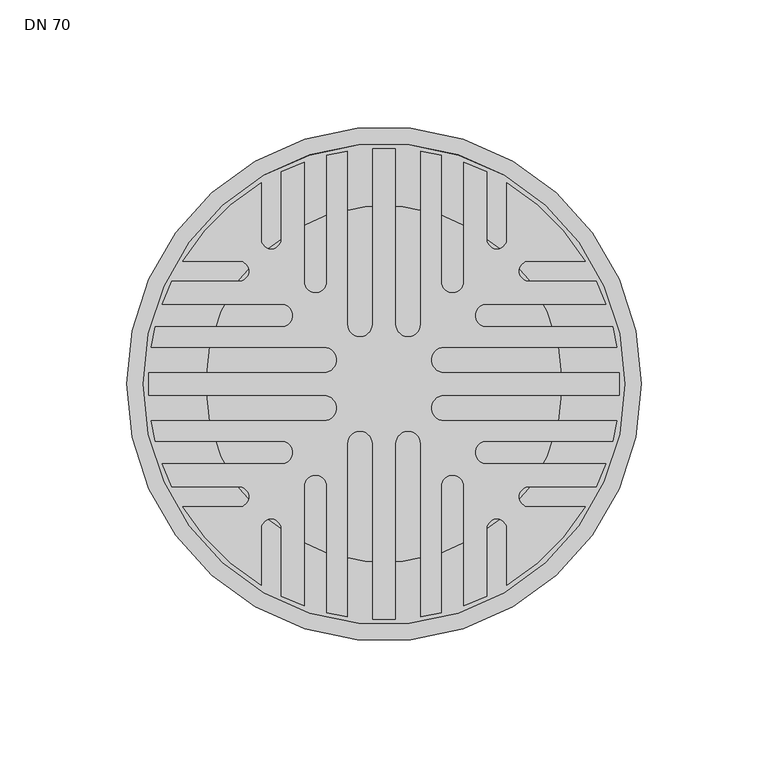
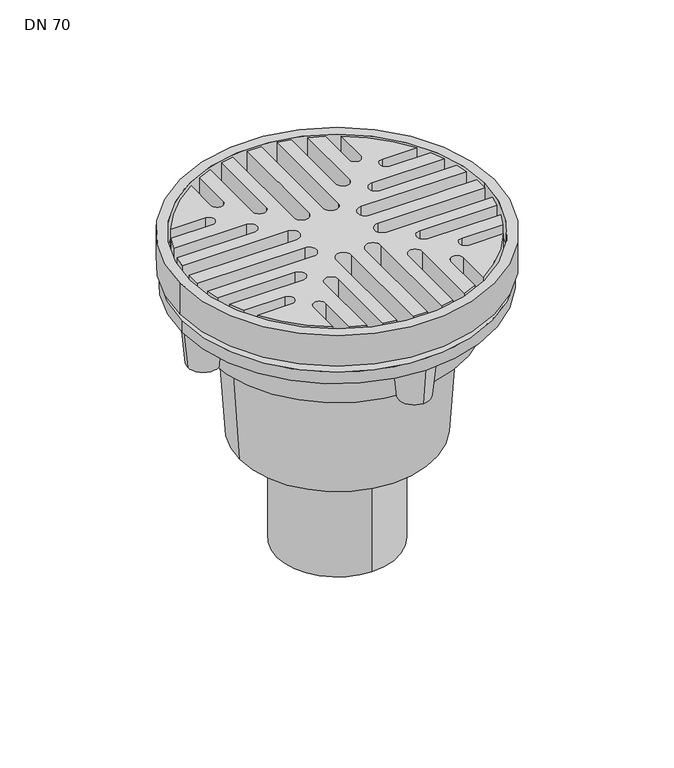
"""IFC4 building model written with IfcOpenShell, lengths in millimetres: sanitary terminal geometry, DN 70."""

from ifc_helpers import new_model, si_unit, point, frame, frame_2d, origin, origin_with_axes, origin_2d, place, context, project, spatial, polyline, circle_curve, trimmed, segment, composite_curve, outline, extrude, source, transform, mapped, element, save
from ifc_brep_helpers import plane_surface, cylinder_surface, revolved_surface, advanced_brep


def dn_70_8d39e11c(model_context):
    return source(origin(), model_context, "Body", "SolidModel", [
        advanced_brep(
        [(-75.35, 0.0, -45.0), (75.35, 0.0, -45.0), (-70.35, 0.0, -45.0), (70.35, 0.0, -45.0), (75.35, 0.0, -21.0), (-75.35, 0.0, -21.0), (70.35, 0.0, -21.0), (-70.35, 0.0, -21.0), (95.0, 0.0, -16.0), (-95.0, 0.0, -16.0), (-70.35, 0.0, -16.0), (70.35, 0.0, -16.0), (-101.5, 0.0, -21.0), (101.5, 0.0, -21.0), (-101.5, 0.0, 0.0), (101.5, 0.0, 0.0), (-95.0, 0.0, 0.0), (95.0, 0.0, 0.0)],
        [
            (0, 1, circle_curve(frame((0.0, 0.0, -45.0), z_axis=(0.0, 0.0, -1.0), x_axis=(1.0, 0.0, 0.0)), 75.35)),
            (1, 0, circle_curve(frame((0.0, 0.0, -45.0), z_axis=(0.0, 0.0, -1.0), x_axis=(1.0, 0.0, 0.0)), 75.35)),
            (2, 3, circle_curve(frame((0.0, 0.0, -45.0), z_axis=(0.0, 0.0, 1.0), x_axis=(1.0, 0.0, 0.0)), 70.35)),
            (3, 2, circle_curve(frame((0.0, 0.0, -45.0), z_axis=(0.0, 0.0, 1.0), x_axis=(1.0, 0.0, 0.0)), 70.35)),
            (1, 4),
            (4, 5, circle_curve(frame((0.0, 0.0, -21.0), z_axis=(0.0, 0.0, -1.0), x_axis=(1.0, 0.0, 0.0)), 75.35)),
            (5, 0),
            (5, 4, circle_curve(frame((0.0, 0.0, -21.0), z_axis=(0.0, 0.0, -1.0), x_axis=(1.0, 0.0, 0.0)), 75.35)),
            (3, 6),
            (6, 7, circle_curve(frame((0.0, 0.0, -21.0), z_axis=(0.0, 0.0, 1.0), x_axis=(1.0, 0.0, 0.0)), 70.35)),
            (7, 2),
            (7, 6, circle_curve(frame((0.0, 0.0, -21.0), z_axis=(0.0, 0.0, 1.0), x_axis=(1.0, 0.0, 0.0)), 70.35)),
            (8, 9, circle_curve(frame((0.0, 0.0, -16.0), z_axis=(0.0, 0.0, 1.0), x_axis=(1.0, 0.0, 0.0)), 95.0)),
            (9, 8, circle_curve(frame((0.0, 0.0, -16.0), z_axis=(0.0, 0.0, 1.0), x_axis=(1.0, 0.0, 0.0)), 95.0)),
            (10, 11, circle_curve(frame((0.0, 0.0, -16.0), z_axis=(0.0, 0.0, -1.0), x_axis=(1.0, 0.0, 0.0)), 70.35)),
            (11, 10, circle_curve(frame((0.0, 0.0, -16.0), z_axis=(0.0, 0.0, -1.0), x_axis=(1.0, 0.0, 0.0)), 70.35)),
            (12, 13, circle_curve(frame((0.0, 0.0, -21.0), z_axis=(0.0, 0.0, -1.0), x_axis=(1.0, 0.0, 0.0)), 101.5)),
            (13, 12, circle_curve(frame((0.0, 0.0, -21.0), z_axis=(0.0, 0.0, -1.0), x_axis=(1.0, 0.0, 0.0)), 101.5)),
            (10, 7),
            (6, 11),
            (14, 15, circle_curve(origin_with_axes(), 101.5)),
            (15, 14, circle_curve(origin_with_axes(), 101.5)),
            (16, 17, circle_curve(frame((0.0, 0.0, 0.0), z_axis=(0.0, 0.0, -1.0), x_axis=(1.0, 0.0, 0.0)), 95.0)),
            (17, 16, circle_curve(frame((0.0, 0.0, 0.0), z_axis=(0.0, 0.0, -1.0), x_axis=(1.0, 0.0, 0.0)), 95.0)),
            (14, 12),
            (13, 15),
            (16, 9),
            (8, 17),
        ],
        [
            plane_surface(frame((75.35, 0.0, -45.0), z_axis=(0.0, 0.0, -1.0), x_axis=(0.0, -1.0, 0.0))),
            cylinder_surface(frame((0.0, 0.0, -45.0), z_axis=(0.0, 0.0, 1.0), x_axis=(1.0, 0.0, 0.0)), 75.35),
            revolved_surface(polyline([(70.35, 0.0, -45.0), (70.35, 0.0, -21.0)]), (0.0, 0.0, -25.0), (0.0, 0.0, -1.0)),
            plane_surface(frame((95.0, 0.0, -16.0), z_axis=(0.0, 0.0, 1.0), x_axis=(0.0, 1.0, 0.0))),
            plane_surface(frame((95.0, 0.0, -21.0), z_axis=(0.0, 0.0, -1.0), x_axis=(0.0, -1.0, 0.0))),
            revolved_surface(polyline([(70.35, 0.0, -21.0), (70.35, 0.0, -16.0)]), (0.0, 0.0, -25.0), (0.0, 0.0, -1.0)),
            plane_surface(frame((101.5, 0.0, 0.0), z_axis=(0.0, 0.0, 1.0), x_axis=(0.0, 1.0, 0.0))),
            cylinder_surface(frame((0.0, 0.0, -21.0), z_axis=(0.0, 0.0, 1.0), x_axis=(1.0, 0.0, 0.0)), 101.5),
            revolved_surface(polyline([(95.0, 0.0, -16.0), (95.0, 0.0, 0.0)]), (0.0, 0.0, -25.0), (0.0, 0.0, -1.0)),
        ],
        [
            (0, [[1, 2], [3, 4]]),
            (1, [[-2, 5, 6, 7]]),
            (1, [[-1, -7, 8, -5]]),
            (2, [[-4, 9, 10, 11]]),
            (2, [[-3, -11, 12, -9]]),
            (3, [[13, 14], [15, 16]]),
            (4, [[17, 18], [-6, -8]]),
            (5, [[-15, 19, -10, 20]]),
            (5, [[-16, -20, -12, -19]]),
            (6, [[21, 22], [23, 24]]),
            (7, [[-21, 25, -18, 26]]),
            (7, [[-22, -26, -17, -25]]),
            (8, [[-23, 27, -13, 28]]),
            (8, [[-24, -28, -14, -27]]),
        ],
    ),
        extrude(outline(composite_curve([segment(trimmed(circle_curve(frame_2d((-23.6421356, 9.5)), 5.0), [point((-23.6421356, 4.5))], [point((-23.6421356, 14.5))], True, "CARTESIAN"), True, "CONTINUOUS"), segment(polyline([(-23.6421356, 14.5), (-91.8626692, 14.5)]), True, "CONTINUOUS"), segment(trimmed(circle_curve(origin_2d(), 93.0), [point((-91.8626692, 14.5))], [point((-90.2371875, 22.5))], False, "CARTESIAN"), True, "CONTINUOUS"), segment(polyline([(-90.2371875, 22.5), (-40.4350288, 22.5)]), True, "CONTINUOUS"), segment(trimmed(circle_curve(frame_2d((-40.4350288, 27.0)), 4.5), [point((-40.4350288, 22.5))], [point((-40.4350288, 31.5))], True, "CARTESIAN"), True, "CONTINUOUS"), segment(polyline([(-40.4350288, 31.5), (-87.5028571, 31.5)]), True, "CONTINUOUS"), segment(trimmed(circle_curve(origin_2d(), 93.0), [point((-87.5028571, 31.5))], [point((-83.7182776, 40.5))], False, "CARTESIAN"), True, "CONTINUOUS"), segment(polyline([(-83.7182776, 40.5), (-57.2279221, 40.5)]), True, "CONTINUOUS"), segment(trimmed(circle_curve(frame_2d((-57.2279221, 44.5)), 4.0), [point((-57.2279221, 40.5))], [point((-57.2279221, 48.5))], True, "CARTESIAN"), True, "CONTINUOUS"), segment(polyline([(-57.2279221, 48.5), (-79.3520636, 48.5)]), True, "CONTINUOUS"), segment(trimmed(circle_curve(origin_2d(), 93.0), [point((-79.3520636, 48.5))], [point((-48.5, 79.3520636))], False, "CARTESIAN"), True, "CONTINUOUS"), segment(polyline([(-48.5, 79.3520636), (-48.5, 57.2279221)]), True, "CONTINUOUS"), segment(trimmed(circle_curve(frame_2d((-44.5, 57.2279221)), 4.0), [point((-48.5, 57.2279221))], [point((-40.5, 57.2279221))], True, "CARTESIAN"), True, "CONTINUOUS"), segment(polyline([(-40.5, 57.2279221), (-40.5, 83.7182776)]), True, "CONTINUOUS"), segment(trimmed(circle_curve(origin_2d(), 93.0), [point((-40.5, 83.7182776))], [point((-31.5, 87.5028571))], False, "CARTESIAN"), True, "CONTINUOUS"), segment(polyline([(-31.5, 87.5028571), (-31.5, 40.4350288)]), True, "CONTINUOUS"), segment(trimmed(circle_curve(frame_2d((-27.0, 40.4350288)), 4.5), [point((-31.5, 40.4350288))], [point((-22.5, 40.4350288))], True, "CARTESIAN"), True, "CONTINUOUS"), segment(polyline([(-22.5, 40.4350288), (-22.5, 90.2371875)]), True, "CONTINUOUS"), segment(trimmed(circle_curve(origin_2d(), 93.0), [point((-22.5, 90.2371875))], [point((-14.5, 91.8626692))], False, "CARTESIAN"), True, "CONTINUOUS"), segment(polyline([(-14.5, 91.8626692), (-14.5, 23.6421356)]), True, "CONTINUOUS"), segment(trimmed(circle_curve(frame_2d((-9.5, 23.6421356)), 5.0), [point((-14.5, 23.6421356))], [point((-4.5, 23.6421356))], True, "CARTESIAN"), True, "CONTINUOUS"), segment(polyline([(-4.5, 23.6421356), (-4.5, 92.8910652)]), True, "CONTINUOUS"), segment(trimmed(circle_curve(origin_2d(), 93.0), [point((-4.5, 92.8910652))], [point((4.5, 92.8910652))], False, "CARTESIAN"), True, "CONTINUOUS"), segment(polyline([(4.5, 92.8910652), (4.5, 23.6421356)]), True, "CONTINUOUS"), segment(trimmed(circle_curve(frame_2d((9.5, 23.6421356)), 5.0), [point((4.5, 23.6421356))], [point((14.5, 23.6421356))], True, "CARTESIAN"), True, "CONTINUOUS"), segment(polyline([(14.5, 23.6421356), (14.5, 91.8626692)]), True, "CONTINUOUS"), segment(trimmed(circle_curve(origin_2d(), 93.0), [point((14.5, 91.8626692))], [point((22.5, 90.2371875))], False, "CARTESIAN"), True, "CONTINUOUS"), segment(polyline([(22.5, 90.2371875), (22.5, 40.4350288)]), True, "CONTINUOUS"), segment(trimmed(circle_curve(frame_2d((27.0, 40.4350288)), 4.5), [point((22.5, 40.4350288))], [point((31.5, 40.4350288))], True, "CARTESIAN"), True, "CONTINUOUS"), segment(polyline([(31.5, 40.4350288), (31.5, 87.5028571)]), True, "CONTINUOUS"), segment(trimmed(circle_curve(origin_2d(), 93.0), [point((31.5, 87.5028571))], [point((40.5, 83.7182776))], False, "CARTESIAN"), True, "CONTINUOUS"), segment(polyline([(40.5, 83.7182776), (40.5, 57.2279221)]), True, "CONTINUOUS"), segment(trimmed(circle_curve(frame_2d((44.5, 57.2279221)), 4.0), [point((40.5, 57.2279221))], [point((48.5, 57.2279221))], True, "CARTESIAN"), True, "CONTINUOUS"), segment(polyline([(48.5, 57.2279221), (48.5, 79.3520636)]), True, "CONTINUOUS"), segment(trimmed(circle_curve(origin_2d(), 93.0), [point((48.5, 79.3520636))], [point((79.3520636, 48.5))], False, "CARTESIAN"), True, "CONTINUOUS"), segment(polyline([(79.3520636, 48.5), (57.2279221, 48.5)]), True, "CONTINUOUS"), segment(trimmed(circle_curve(frame_2d((57.2279221, 44.5)), 4.0), [point((57.2279221, 48.5))], [point((57.2279221, 40.5))], True, "CARTESIAN"), True, "CONTINUOUS"), segment(polyline([(57.2279221, 40.5), (83.7182776, 40.5)]), True, "CONTINUOUS"), segment(trimmed(circle_curve(origin_2d(), 93.0), [point((83.7182776, 40.5))], [point((87.5028571, 31.5))], False, "CARTESIAN"), True, "CONTINUOUS"), segment(polyline([(87.5028571, 31.5), (40.4350288, 31.5)]), True, "CONTINUOUS"), segment(trimmed(circle_curve(frame_2d((40.4350288, 27.0)), 4.5), [point((40.4350288, 31.5))], [point((40.4350288, 22.5))], True, "CARTESIAN"), True, "CONTINUOUS"), segment(polyline([(40.4350288, 22.5), (90.2371875, 22.5)]), True, "CONTINUOUS"), segment(trimmed(circle_curve(origin_2d(), 93.0), [point((90.2371875, 22.5))], [point((91.8626692, 14.5))], False, "CARTESIAN"), True, "CONTINUOUS"), segment(polyline([(91.8626692, 14.5), (23.6421356, 14.5)]), True, "CONTINUOUS"), segment(trimmed(circle_curve(frame_2d((23.6421356, 9.5)), 5.0), [point((23.6421356, 14.5))], [point((23.6421356, 4.5))], True, "CARTESIAN"), True, "CONTINUOUS"), segment(polyline([(23.6421356, 4.5), (66.0353516, 4.5), (73.1315188, 4.5), (92.8910652, 4.5)]), True, "CONTINUOUS"), segment(trimmed(circle_curve(origin_2d(), 93.0), [point((92.8910652, 4.5))], [point((92.8910652, -4.5))], False, "CARTESIAN"), True, "CONTINUOUS"), segment(polyline([(92.8910652, -4.5), (23.6421356, -4.5)]), True, "CONTINUOUS"), segment(trimmed(circle_curve(frame_2d((23.6421356, -9.5)), 5.0), [point((23.6421356, -4.5))], [point((23.6421356, -14.5))], True, "CARTESIAN"), True, "CONTINUOUS"), segment(polyline([(23.6421356, -14.5), (91.8626692, -14.5)]), True, "CONTINUOUS"), segment(trimmed(circle_curve(origin_2d(), 93.0), [point((91.8626692, -14.5))], [point((90.2371875, -22.5))], False, "CARTESIAN"), True, "CONTINUOUS"), segment(polyline([(90.2371875, -22.5), (40.4350288, -22.5)]), True, "CONTINUOUS"), segment(trimmed(circle_curve(frame_2d((40.4350288, -27.0)), 4.5), [point((40.4350288, -22.5))], [point((40.4350288, -31.5))], True, "CARTESIAN"), True, "CONTINUOUS"), segment(polyline([(40.4350288, -31.5), (87.5028571, -31.5)]), True, "CONTINUOUS"), segment(trimmed(circle_curve(origin_2d(), 93.0), [point((87.5028571, -31.5))], [point((83.7182776, -40.5))], False, "CARTESIAN"), True, "CONTINUOUS"), segment(polyline([(83.7182776, -40.5), (57.2279221, -40.5)]), True, "CONTINUOUS"), segment(trimmed(circle_curve(frame_2d((57.2279221, -44.5)), 4.0), [point((57.2279221, -40.5))], [point((57.2279221, -48.5))], True, "CARTESIAN"), True, "CONTINUOUS"), segment(polyline([(57.2279221, -48.5), (79.3520636, -48.5)]), True, "CONTINUOUS"), segment(trimmed(circle_curve(origin_2d(), 93.0), [point((79.3520636, -48.5))], [point((48.5, -79.3520636))], False, "CARTESIAN"), True, "CONTINUOUS"), segment(polyline([(48.5, -79.3520636), (48.5, -57.2279221)]), True, "CONTINUOUS"), segment(trimmed(circle_curve(frame_2d((44.5, -57.2279221)), 4.0), [point((48.5, -57.2279221))], [point((40.5, -57.2279221))], True, "CARTESIAN"), True, "CONTINUOUS"), segment(polyline([(40.5, -57.2279221), (40.5, -83.7182776)]), True, "CONTINUOUS"), segment(trimmed(circle_curve(origin_2d(), 93.0), [point((40.5, -83.7182776))], [point((31.5, -87.5028571))], False, "CARTESIAN"), True, "CONTINUOUS"), segment(polyline([(31.5, -87.5028571), (31.5, -40.4350288)]), True, "CONTINUOUS"), segment(trimmed(circle_curve(frame_2d((27.0, -40.4350288)), 4.5), [point((31.5, -40.4350288))], [point((22.5, -40.4350288))], True, "CARTESIAN"), True, "CONTINUOUS"), segment(polyline([(22.5, -40.4350288), (22.5, -90.2371875)]), True, "CONTINUOUS"), segment(trimmed(circle_curve(origin_2d(), 93.0), [point((22.5, -90.2371875))], [point((14.5, -91.8626692))], False, "CARTESIAN"), True, "CONTINUOUS"), segment(polyline([(14.5, -91.8626692), (14.5, -23.6421356)]), True, "CONTINUOUS"), segment(trimmed(circle_curve(frame_2d((9.5, -23.6421356)), 5.0), [point((14.5, -23.6421356))], [point((4.5, -23.6421356))], True, "CARTESIAN"), True, "CONTINUOUS"), segment(polyline([(4.5, -23.6421356), (4.5, -92.8910652)]), True, "CONTINUOUS"), segment(trimmed(circle_curve(origin_2d(), 93.0), [point((4.5, -92.8910652))], [point((-4.5, -92.8910652))], False, "CARTESIAN"), True, "CONTINUOUS"), segment(polyline([(-4.5, -92.8910652), (-4.5, -23.6421356)]), True, "CONTINUOUS"), segment(trimmed(circle_curve(frame_2d((-9.5, -23.6421356)), 5.0), [point((-4.5, -23.6421356))], [point((-14.5, -23.6421356))], True, "CARTESIAN"), True, "CONTINUOUS"), segment(polyline([(-14.5, -23.6421356), (-14.5, -91.8626692)]), True, "CONTINUOUS"), segment(trimmed(circle_curve(origin_2d(), 93.0), [point((-14.5, -91.8626692))], [point((-22.5, -90.2371875))], False, "CARTESIAN"), True, "CONTINUOUS"), segment(polyline([(-22.5, -90.2371875), (-22.5, -40.4350288)]), True, "CONTINUOUS"), segment(trimmed(circle_curve(frame_2d((-27.0, -40.4350288)), 4.5), [point((-22.5, -40.4350288))], [point((-31.5, -40.4350288))], True, "CARTESIAN"), True, "CONTINUOUS"), segment(polyline([(-31.5, -40.4350288), (-31.5, -87.5028571)]), True, "CONTINUOUS"), segment(trimmed(circle_curve(origin_2d(), 93.0), [point((-31.5, -87.5028571))], [point((-40.5, -83.7182776))], False, "CARTESIAN"), True, "CONTINUOUS"), segment(polyline([(-40.5, -83.7182776), (-40.5, -57.2279221)]), True, "CONTINUOUS"), segment(trimmed(circle_curve(frame_2d((-44.5, -57.2279221)), 4.0), [point((-40.5, -57.2279221))], [point((-48.5, -57.2279221))], True, "CARTESIAN"), True, "CONTINUOUS"), segment(polyline([(-48.5, -57.2279221), (-48.5, -79.3520636)]), True, "CONTINUOUS"), segment(trimmed(circle_curve(origin_2d(), 93.0), [point((-48.5, -79.3520636))], [point((-79.3520636, -48.5))], False, "CARTESIAN"), True, "CONTINUOUS"), segment(polyline([(-79.3520636, -48.5), (-57.2279221, -48.5)]), True, "CONTINUOUS"), segment(trimmed(circle_curve(frame_2d((-57.2279221, -44.5)), 4.0), [point((-57.2279221, -48.5))], [point((-57.2279221, -40.5))], True, "CARTESIAN"), True, "CONTINUOUS"), segment(polyline([(-57.2279221, -40.5), (-83.7182776, -40.5)]), True, "CONTINUOUS"), segment(trimmed(circle_curve(origin_2d(), 93.0), [point((-83.7182776, -40.5))], [point((-87.5028571, -31.5))], False, "CARTESIAN"), True, "CONTINUOUS"), segment(polyline([(-87.5028571, -31.5), (-40.4350288, -31.5)]), True, "CONTINUOUS"), segment(trimmed(circle_curve(frame_2d((-40.4350288, -27.0)), 4.5), [point((-40.4350288, -31.5))], [point((-40.4350288, -22.5))], True, "CARTESIAN"), True, "CONTINUOUS"), segment(polyline([(-40.4350288, -22.5), (-90.2371875, -22.5)]), True, "CONTINUOUS"), segment(trimmed(circle_curve(origin_2d(), 93.0), [point((-90.2371875, -22.5))], [point((-91.8626692, -14.5))], False, "CARTESIAN"), True, "CONTINUOUS"), segment(polyline([(-91.8626692, -14.5), (-23.6421356, -14.5)]), True, "CONTINUOUS"), segment(trimmed(circle_curve(frame_2d((-23.6421356, -9.5)), 5.0), [point((-23.6421356, -14.5))], [point((-23.6421356, -4.5))], True, "CARTESIAN"), True, "CONTINUOUS"), segment(polyline([(-23.6421356, -4.5), (-92.8910652, -4.5)]), True, "CONTINUOUS"), segment(trimmed(circle_curve(origin_2d(), 93.0), [point((-92.8910652, -4.5))], [point((-92.8910652, 4.5))], False, "CARTESIAN"), True, "CONTINUOUS"), segment(polyline([(-92.8910652, 4.5), (-23.6421356, 4.5)]), True, "CONTINUOUS")], self_intersect=False)), frame((0.0, 0.0, -16.0), z_axis=(0.0, 0.0, 1.0), x_axis=(1.0, 0.0, 0.0)), (0.0, 0.0, 1.0), 16.0),
        advanced_brep(
        [(96.5, 0.0, -59.0), (76.5, 0.0, -59.0), (99.0, 0.0, -34.0), (74.0, 0.0, -34.0)],
        [
            (0, 1, circle_curve(frame((86.5, 0.0, -59.0), z_axis=(0.0, 0.0, -1.0), x_axis=(1.0000000000000002, 0.0, 0.0)), 10.0)),
            (1, 0, circle_curve(frame((86.5, 0.0, -59.0), z_axis=(0.0, 0.0, -1.0), x_axis=(-1.0, 0.0, 0.0)), 10.0)),
            (2, 3, circle_curve(frame((86.5, 0.0, -34.0), z_axis=(0.0, 0.0, 1.0), x_axis=(-1.0, 0.0, 0.0)), 12.5)),
            (3, 2, circle_curve(frame((86.5, 0.0, -34.0), z_axis=(0.0, 0.0, 1.0), x_axis=(1.0000000000000002, 0.0, 0.0)), 12.5)),
            (3, 1),
            (0, 2),
        ],
        [
            plane_surface(frame((86.5, 0.0, -59.0), z_axis=(0.0, 0.0, -1.0), x_axis=(0.0, -1.0, 0.0))),
            plane_surface(frame((86.5, 0.0, -34.0), z_axis=(0.0, 0.0, 1.0), x_axis=(0.0, -1.0, 0.0))),
            revolved_surface(polyline([(96.5, 0.0, -59.0), (99.0, 0.0, -34.0)]), (86.5, 0.0, -159.0), (0.0, 0.0, 1.0)),
            revolved_surface(polyline([(76.5, 0.0, -59.0), (74.0, 0.0, -34.0)]), (86.5, 0.0, -159.0), (0.0, 0.0, 1.0)),
        ],
        [
            (0, [[1, 2]]),
            (1, [[3, 4]]),
            (2, [[-4, 5, -1, 6]]),
            (3, [[-3, -6, -2, -5]]),
        ],
    ),
        advanced_brep(
        [(0.0, -96.5, -59.0), (0.0, -76.5, -59.0), (0.0, -99.0, -34.0), (0.0, -74.0, -34.0)],
        [
            (0, 1, circle_curve(frame((0.0, -86.5, -59.0), z_axis=(0.0, 0.0, -1.0), x_axis=(0.0, -1.0000000000000002, 0.0)), 10.0)),
            (1, 0, circle_curve(frame((0.0, -86.5, -59.0), z_axis=(0.0, 0.0, -1.0), x_axis=(0.0, 1.0, 0.0)), 10.0)),
            (2, 3, circle_curve(frame((0.0, -86.5, -34.0), z_axis=(0.0, 0.0, 1.0), x_axis=(0.0, 1.0, 0.0)), 12.5)),
            (3, 2, circle_curve(frame((0.0, -86.5, -34.0), z_axis=(0.0, 0.0, 1.0), x_axis=(0.0, -1.0000000000000002, 0.0)), 12.5)),
            (3, 1),
            (0, 2),
        ],
        [
            plane_surface(frame((0.0, -86.5, -59.0), z_axis=(0.0, 0.0, -1.0), x_axis=(-1.0, 0.0, 0.0))),
            plane_surface(frame((0.0, -86.5, -34.0), z_axis=(0.0, 0.0, 1.0), x_axis=(-1.0, 0.0, 0.0))),
            revolved_surface(polyline([(0.0, -96.5, -59.0), (0.0, -99.0, -34.0)]), (0.0, -86.5, -159.0), (0.0, 0.0, 1.0)),
            revolved_surface(polyline([(0.0, -76.5, -59.0), (0.0, -74.0, -34.0)]), (0.0, -86.5, -159.0), (0.0, 0.0, 1.0)),
        ],
        [
            (0, [[1, 2]]),
            (1, [[3, 4]]),
            (2, [[-4, 5, -1, 6]]),
            (3, [[-3, -6, -2, -5]]),
        ],
    ),
        advanced_brep(
        [(-96.5, 0.0, -59.0), (-76.5, 0.0, -59.0), (-99.0, 0.0, -34.0), (-74.0, 0.0, -34.0)],
        [
            (0, 1, circle_curve(frame((-86.5, 0.0, -59.0), z_axis=(0.0, 0.0, -1.0), x_axis=(-1.0000000000000002, 0.0, 0.0)), 10.0)),
            (1, 0, circle_curve(frame((-86.5, 0.0, -59.0), z_axis=(0.0, 0.0, -1.0), x_axis=(1.0, 0.0, 0.0)), 10.0)),
            (2, 3, circle_curve(frame((-86.5, 0.0, -34.0), z_axis=(0.0, 0.0, 1.0), x_axis=(1.0, 0.0, 0.0)), 12.5)),
            (3, 2, circle_curve(frame((-86.5, 0.0, -34.0), z_axis=(0.0, 0.0, 1.0), x_axis=(-1.0000000000000002, 0.0, 0.0)), 12.5)),
            (3, 1),
            (0, 2),
        ],
        [
            plane_surface(frame((-86.5, 0.0, -59.0), z_axis=(0.0, 0.0, -1.0), x_axis=(0.0, 1.0, 0.0))),
            plane_surface(frame((-86.5, 0.0, -34.0), z_axis=(0.0, 0.0, 1.0), x_axis=(0.0, 1.0, 0.0))),
            revolved_surface(polyline([(-96.5, 0.0, -59.0), (-99.0, 0.0, -34.0)]), (-86.5, 0.0, -159.0), (0.0, 0.0, 1.0)),
            revolved_surface(polyline([(-76.5, 0.0, -59.0), (-74.0, 0.0, -34.0)]), (-86.5, 0.0, -159.0), (0.0, 0.0, 1.0)),
        ],
        [
            (0, [[1, 2]]),
            (1, [[3, 4]]),
            (2, [[-4, 5, -1, 6]]),
            (3, [[-3, -6, -2, -5]]),
        ],
    ),
        advanced_brep(
        [(0.0, 96.5, -59.0), (0.0, 76.5, -59.0), (0.0, 99.0, -34.0), (0.0, 74.0, -34.0)],
        [
            (0, 1, circle_curve(frame((0.0, 86.5, -59.0), z_axis=(0.0, 0.0, -1.0), x_axis=(0.0, 1.0000000000000002, 0.0)), 10.0)),
            (1, 0, circle_curve(frame((0.0, 86.5, -59.0), z_axis=(0.0, 0.0, -1.0), x_axis=(0.0, -1.0, 0.0)), 10.0)),
            (2, 3, circle_curve(frame((0.0, 86.5, -34.0), z_axis=(0.0, 0.0, 1.0), x_axis=(0.0, -1.0, 0.0)), 12.5)),
            (3, 2, circle_curve(frame((0.0, 86.5, -34.0), z_axis=(0.0, 0.0, 1.0), x_axis=(0.0, 1.0000000000000002, 0.0)), 12.5)),
            (3, 1),
            (0, 2),
        ],
        [
            plane_surface(frame((0.0, 86.5, -59.0), z_axis=(0.0, 0.0, -1.0), x_axis=(1.0, 0.0, 0.0))),
            plane_surface(frame((0.0, 86.5, -34.0), z_axis=(0.0, 0.0, 1.0), x_axis=(1.0, 0.0, 0.0))),
            revolved_surface(polyline([(0.0, 96.5, -59.0), (0.0, 99.0, -34.0)]), (0.0, 86.5, -159.0), (0.0, 0.0, 1.0)),
            revolved_surface(polyline([(0.0, 76.5, -59.0), (0.0, 74.0, -34.0)]), (0.0, 86.5, -159.0), (0.0, 0.0, 1.0)),
        ],
        [
            (0, [[1, 2]]),
            (1, [[3, 4]]),
            (2, [[-4, 5, -1, 6]]),
            (3, [[-3, -6, -2, -5]]),
        ],
    ),
        advanced_brep(
        [(-100.0, 0.0, -26.0), (100.0, 0.0, -26.0), (-100.0, 0.0, -34.0), (100.0, 0.0, -34.0), (-82.0, 0.0, -34.0), (82.0, 0.0, -34.0), (-82.0, 0.0, -59.63), (82.0, 0.0, -59.63), (67.2, 0.0, -69.98), (-67.2, 0.0, -69.98), (0.0, 39.0, -208.73), (0.0, -39.0, -208.73), (0.0, -39.0, -133.73), (0.0, 39.0, -133.73), (-62.85, 0.0, -133.73), (62.85, 0.0, -133.73)],
        [
            (0, 1, circle_curve(frame((0.0, 0.0, -26.0), z_axis=(0.0, 0.0, 1.0), x_axis=(1.0, 0.0, 0.0)), 100.0)),
            (1, 0, circle_curve(frame((0.0, 0.0, -26.0), z_axis=(0.0, 0.0, 1.0), x_axis=(1.0, 0.0, 0.0)), 100.0)),
            (2, 3, circle_curve(frame((0.0, 0.0, -34.0), z_axis=(0.0, 0.0, -1.0), x_axis=(1.0, 0.0, 0.0)), 100.0)),
            (3, 2, circle_curve(frame((0.0, 0.0, -34.0), z_axis=(0.0, 0.0, -1.0), x_axis=(1.0, 0.0, 0.0)), 100.0)),
            (4, 5, circle_curve(frame((0.0, 0.0, -34.0), z_axis=(0.0, 0.0, 1.0), x_axis=(1.0, 0.0, 0.0)), 82.0)),
            (5, 4, circle_curve(frame((0.0, 0.0, -34.0), z_axis=(0.0, 0.0, 1.0), x_axis=(1.0, 0.0, 0.0)), 82.0)),
            (4, 6),
            (6, 7, circle_curve(frame((0.0, 0.0, -59.63), z_axis=(0.0, 0.0, 1.0), x_axis=(1.0, 0.0, 0.0)), 82.0)),
            (7, 5),
            (7, 6, circle_curve(frame((0.0, 0.0, -59.63), z_axis=(0.0, 0.0, 1.0), x_axis=(1.0, 0.0, 0.0)), 82.0)),
            (8, 7),
            (6, 9),
            (9, 8, circle_curve(frame((0.0, 0.0, -69.98), z_axis=(0.0, 0.0, 1.0), x_axis=(-1.0, 0.0, 0.0)), 67.2)),
            (8, 9, circle_curve(frame((0.0, 0.0, -69.98), z_axis=(0.0, 0.0, 1.0), x_axis=(1.0, 0.0, 0.0)), 67.2)),
            (10, 11, circle_curve(frame((0.0, 0.0, -208.73), z_axis=(0.0, 0.0, -1.0), x_axis=(0.0, -1.0, 0.0)), 39.0)),
            (11, 10, circle_curve(frame((0.0, 0.0, -208.73), z_axis=(0.0, 0.0, -1.0), x_axis=(0.0, -1.0, 0.0)), 39.0)),
            (11, 12),
            (12, 13, circle_curve(frame((0.0, 0.0, -133.73), z_axis=(0.0, 0.0, -1.0), x_axis=(0.0, -1.0, 0.0)), 39.0)),
            (13, 10),
            (13, 12, circle_curve(frame((0.0, 0.0, -133.73), z_axis=(0.0, 0.0, -1.0), x_axis=(0.0, -1.0, 0.0)), 39.0)),
            (14, 15, circle_curve(frame((0.0, 0.0, -133.73), z_axis=(0.0, 0.0, -1.0), x_axis=(1.0, 0.0, 0.0)), 62.85)),
            (15, 14, circle_curve(frame((0.0, 0.0, -133.73), z_axis=(0.0, 0.0, -1.0), x_axis=(-1.0, 0.0, 0.0)), 62.85)),
            (15, 8),
            (9, 14),
            (0, 2),
            (3, 1),
        ],
        [
            plane_surface(frame((-10.0, 10.0, -26.0), z_axis=(0.0, 0.0, 1.0), x_axis=(-1.0, 0.0, 0.0))),
            plane_surface(frame((-10.0, 10.0, -34.0), z_axis=(0.0, 0.0, -1.0), x_axis=(1.0, 0.0, 0.0))),
            cylinder_surface(frame((0.0, 0.0, -59.63), z_axis=(0.0, 0.0, 1.0), x_axis=(1.0, 0.0, 0.0)), 82.0),
            revolved_surface(polyline([(67.20000000139508, 0.0, -69.98), (82.0, 0.0, -59.63)]), (0.0, 0.0, -116.9745946), (0.0, 0.0, 1.0)),
            plane_surface(frame((0.0, -39.0, -208.73), z_axis=(0.0, 0.0, -1.0), x_axis=(-1.0, 0.0, 0.0))),
            cylinder_surface(frame((0.0, 0.0, -208.73), z_axis=(0.0, 0.0, 1.0), x_axis=(0.0, -1.0, 0.0)), 39.0),
            plane_surface(frame((0.0, 0.0, -133.73), z_axis=(0.0, 0.0, -1.0), x_axis=(0.0, -1.0, 0.0))),
            revolved_surface(polyline([(62.84999999996954, 0.0, -133.73000000000002), (67.2, 0.0, -69.98000000000002)]), (0.0, 0.0, -1054.8075862), (0.0, 0.0, 1.0)),
            revolved_surface(polyline([(-62.84999999996954, 0.0, -133.73000000000002), (-67.2, 0.0, -69.98000000000002)]), (0.0, 0.0, -1054.8075862), (0.0, 0.0, 1.0)),
            cylinder_surface(frame((0.0, 0.0, -34.0), z_axis=(0.0, 0.0, 1.0), x_axis=(1.0, 0.0, 0.0)), 100.0),
        ],
        [
            (0, [[1, 2]]),
            (1, [[3, 4], [5, 6]]),
            (2, [[7, 8, 9, -5]]),
            (2, [[-7, -6, -9, 10]]),
            (3, [[11, -8, 12, 13]]),
            (3, [[-11, 14, -12, -10]]),
            (4, [[15, 16]]),
            (5, [[-16, 17, 18, 19]]),
            (5, [[-15, -19, 20, -17]]),
            (6, [[21, 22], [-18, -20]]),
            (7, [[-22, 23, -13, 24]]),
            (8, [[-21, -24, -14, -23]]),
            (9, [[-1, 25, -4, 26]]),
            (9, [[-2, -26, -3, -25]]),
        ],
    ),
    ])


if __name__ == "__main__":
    model = new_model("IFC4")
    model_context = context("Model", 3, world=origin())
    ifc_project = project(units=[si_unit("LENGTHUNIT", "METRE", prefix="MILLI")], contexts=[model_context])
    site = spatial("IfcSite", under=ifc_project)
    building = spatial("IfcBuilding", under=site)
    placement = place(None, origin())
    dn_70_shape = dn_70_8d39e11c(model_context)
    element("IfcSanitaryTerminal", 1, ObjectType="DN 70", at=placement, inside=building, context=model_context, shape_type="MappedRepresentation", body=[
        mapped(dn_70_shape, transform((0.0, 0.0, 0.0), x_axis=(1.0, 0.0, 0.0), y_axis=(0.0, 1.0, 0.0), z_axis=(0.0, 0.0, 1.0))),
    ])
    save(model, "model.ifc")
